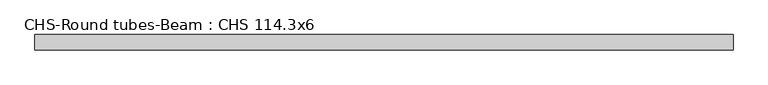
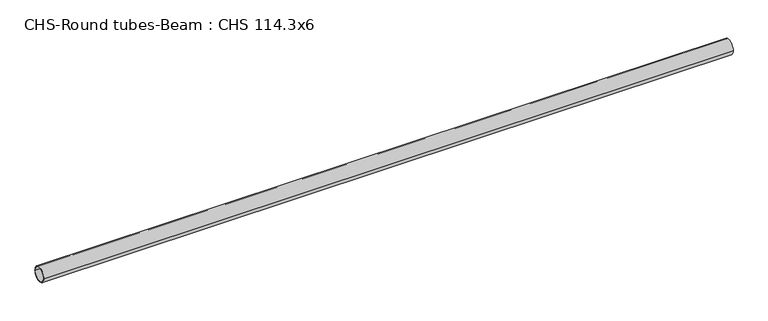
"""IFC4 building model written with IfcOpenShell, lengths in millimetres: beam geometry, CHS-Round tubes-Beam : CHS 114.3x6."""

from ifc_helpers import new_model, si_unit, point, frame, origin, origin_2d, place, context, project, spatial, circle_curve, trimmed, segment, composite_curve, outline, extrude, source, transform, mapped, element, save


def chs_round_tubes_beam_chs_114_3x6_69f49aaa(model_context):
    return source(origin(), model_context, "Body", "SweptSolid", [
        extrude(outline(composite_curve([segment(trimmed(circle_curve(origin_2d(), 57.15), [point((57.15, 0.0))], [point((-57.15, 0.0))], False, "CARTESIAN"), True, "CONTINUOUS"), segment(trimmed(circle_curve(origin_2d(), 57.15), [point((-57.15, 0.0))], [point((57.15, 0.0))], False, "CARTESIAN"), True, "CONTINUOUS")], self_intersect=False), holes=[composite_curve([segment(trimmed(circle_curve(origin_2d(), 51.15), [point((51.15, 0.0))], [point((-51.15, 0.0))], True, "CARTESIAN"), True, "CONTINUOUS"), segment(trimmed(circle_curve(origin_2d(), 51.15), [point((-51.15, 0.0))], [point((51.15, 0.0))], True, "CARTESIAN"), True, "CONTINUOUS")], self_intersect=False)]), frame((-2585.3802409, 0.0, 0.0), z_axis=(1.0, 0.0, 0.0), x_axis=(0.0, 1.0, 0.0)), (0.0, 0.0, 1.0), 5168.9685092),
    ])


if __name__ == "__main__":
    model = new_model("IFC4")
    model_context = context("Model", 3, world=origin())
    ifc_project = project(units=[si_unit("LENGTHUNIT", "METRE", prefix="MILLI")], contexts=[model_context])
    site = spatial("IfcSite", under=ifc_project)
    building = spatial("IfcBuilding", under=site)
    placement = place(None, origin())
    chs_round_tubes_beam_chs_114_3x6_shape = chs_round_tubes_beam_chs_114_3x6_69f49aaa(model_context)
    element("IfcBeam", 1, ObjectType="CHS-Round tubes-Beam : CHS 114.3x6", at=placement, inside=building, context=model_context, shape_type="MappedRepresentation", body=[
        mapped(chs_round_tubes_beam_chs_114_3x6_shape, transform((0.0, 0.0, 0.0), x_axis=(1.0, 0.0, 0.0), y_axis=(0.0, 1.0, 0.0), z_axis=(0.0, 0.0, 1.0))),
    ])
    save(model, "model.ifc")
